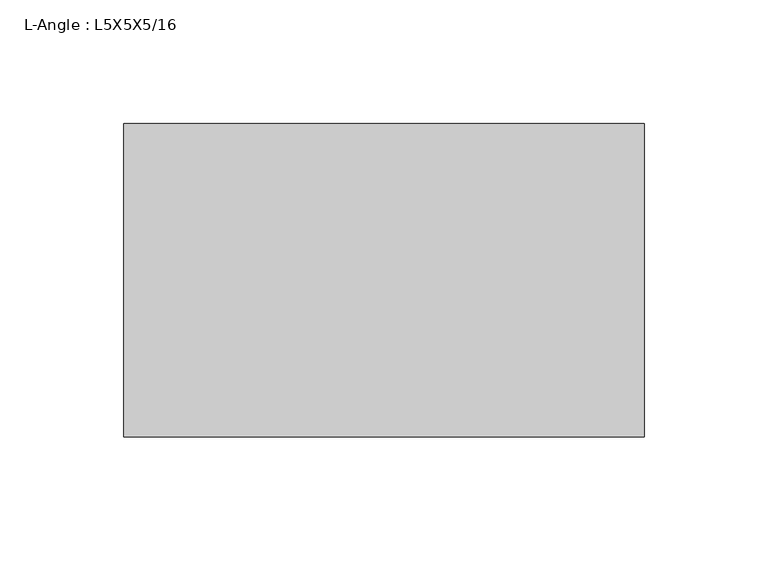
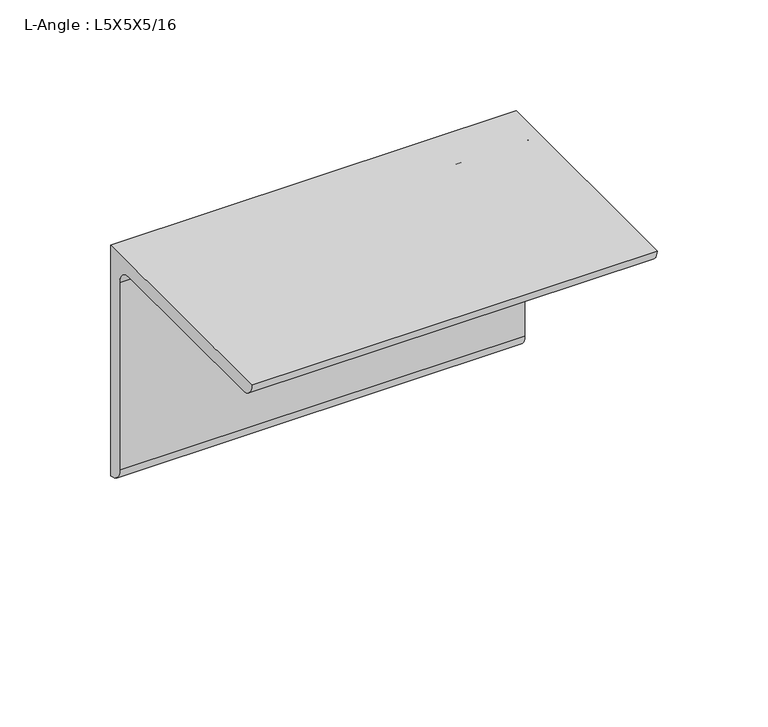
"""IFC4 building model written with IfcOpenShell, lengths in millimetres: beam geometry, L-Angle : L5X5X5/16."""

from ifc_helpers import new_model, si_unit, point, frame, frame_2d, origin, place, context, project, spatial, polyline, circle_curve, trimmed, segment, composite_curve, outline, extrude, source, transform, mapped, element, save


def l_angle_l5x5x5_16_9de4f6f2(model_context):
    return source(origin(), model_context, "Body", "SweptSolid", [
        extrude(outline(composite_curve([segment(polyline([(34.3296875, 34.3296875), (34.3296875, -92.6703125)]), True, "CONTINUOUS"), segment(trimmed(circle_curve(frame_2d((34.3296875, -84.7328125)), 7.9375), [point((34.3296875, -92.6703125))], [point((26.3921875, -84.7328125))], False, "CARTESIAN"), True, "CONTINUOUS"), segment(polyline([(26.3921875, -84.7328125), (26.3921875, 18.4546875)]), True, "CONTINUOUS"), segment(trimmed(circle_curve(frame_2d((18.4546875, 18.4546875)), 7.9375), [point((26.3921875, 18.4546875))], [point((18.4546875, 26.3921875))], True, "CARTESIAN"), True, "CONTINUOUS"), segment(polyline([(18.4546875, 26.3921875), (-84.7328125, 26.3921875)]), True, "CONTINUOUS"), segment(trimmed(circle_curve(frame_2d((-84.7328125, 34.3296875)), 7.9375), [point((-84.7328125, 26.3921875))], [point((-92.6703125, 34.3296875))], False, "CARTESIAN"), True, "CONTINUOUS"), segment(polyline([(-92.6703125, 34.3296875), (34.3296875, 34.3296875)]), True, "CONTINUOUS")], self_intersect=False)), frame((-105.3703125, 0.0, 0.0), z_axis=(1.0, 0.0, 0.0), x_axis=(0.0, 1.0, 0.0)), (0.0, 0.0, 1.0), 210.740625),
    ])


if __name__ == "__main__":
    model = new_model("IFC4")
    model_context = context("Model", 3, world=origin())
    ifc_project = project(units=[si_unit("LENGTHUNIT", "METRE", prefix="MILLI")], contexts=[model_context])
    site = spatial("IfcSite", under=ifc_project)
    building = spatial("IfcBuilding", under=site)
    placement = place(None, origin())
    l_angle_l5x5x5_16_shape = l_angle_l5x5x5_16_9de4f6f2(model_context)
    element("IfcBeam", 1, ObjectType="L-Angle : L5X5X5/16", at=placement, inside=building, context=model_context, shape_type="MappedRepresentation", body=[
        mapped(l_angle_l5x5x5_16_shape, transform((0.0, 0.0, 0.0), x_axis=(1.0, 0.0, 0.0), y_axis=(0.0, 1.0, 0.0), z_axis=(0.0, 0.0, 1.0))),
    ])
    save(model, "model.ifc")
